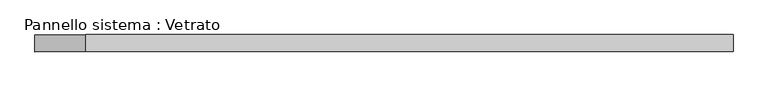
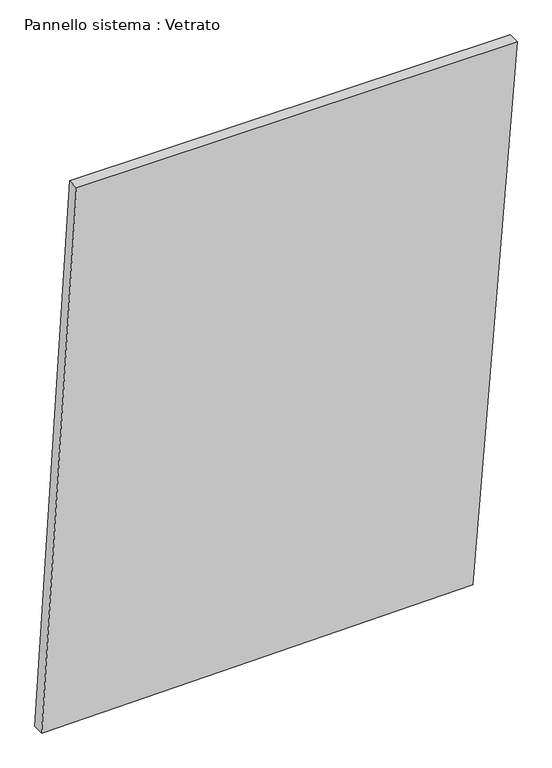
"""IFC4 building model written with IfcOpenShell, lengths in millimetres: plate geometry, Pannello sistema : Vetrato."""

from ifc_helpers import new_model, si_unit, frame, origin, place, context, project, spatial, polyline, outline, extrude, source, transform, mapped, element, save


def pannello_sistema_vetrato_5da23ed5(model_context):
    return source(origin(), model_context, "Body", "SweptSolid", [
        extrude(outline(polyline([(0.0, -613.5919135), (14.6530907, 499.4942708), (1457.4832373, 613.5919135), (1457.4832373, -523.8958194), (0.0, -613.5919135)])), frame((0.0, -15.0, 0.0), z_axis=(0.0, 1.0, 0.0), x_axis=(0.0, 0.0, 1.0)), (0.0, 0.0, 1.0), 30.0),
    ])


if __name__ == "__main__":
    model = new_model("IFC4")
    model_context = context("Model", 3, world=origin())
    ifc_project = project(units=[si_unit("LENGTHUNIT", "METRE", prefix="MILLI")], contexts=[model_context])
    site = spatial("IfcSite", under=ifc_project)
    building = spatial("IfcBuilding", under=site)
    placement = place(None, origin())
    pannello_sistema_vetrato_shape = pannello_sistema_vetrato_5da23ed5(model_context)
    element("IfcPlate", 1, ObjectType="Pannello sistema : Vetrato", at=placement, inside=building, context=model_context, shape_type="MappedRepresentation", body=[
        mapped(pannello_sistema_vetrato_shape, transform((0.0, 0.0, 0.0), x_axis=(1.0, 0.0, 0.0), y_axis=(0.0, 1.0, 0.0), z_axis=(0.0, 0.0, 1.0))),
    ])
    save(model, "model.ifc")
